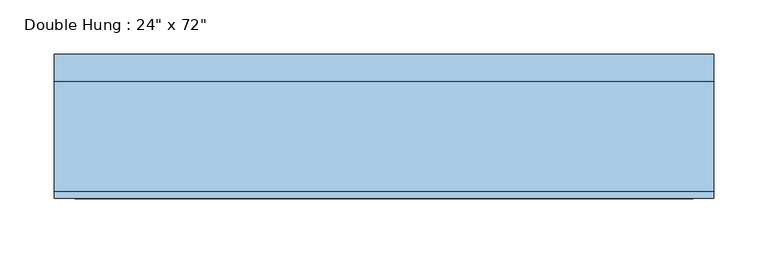
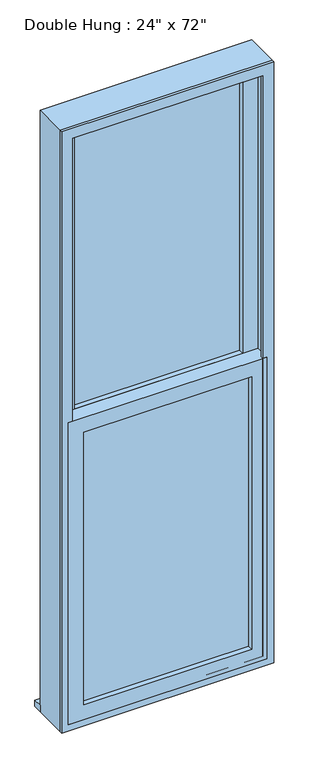
"""IFC4 building model written with IfcOpenShell, lengths in millimetres: window geometry."""

from ifc_helpers import new_model, si_unit, frame, origin, place, context, project, spatial, polyline, outline, extrude, source, transform, mapped, element, save


def window_02a0f3dd(model_context):
    return source(origin(), model_context, "Body", "SweptSolid", [
        extrude(outline(polyline([(-241.3, -28.575), (241.3, -28.575), (241.3, -41.275), (-241.3, -41.275), (-241.3, -28.575)])), frame((0.0, 0.0, 368.3), z_axis=(0.0, 0.0, 1.0), x_axis=(1.0, 0.0, 0.0)), (0.0, 0.0, 1.0), 828.675),
        extrude(outline(polyline([(1241.425, -285.75), (323.85, -285.75), (323.85, 285.75), (1241.425, 285.75), (1241.425, -285.75)]), holes=[polyline([(1196.975, -241.3), (1196.975, 241.3), (368.3, 241.3), (368.3, -241.3), (1196.975, -241.3)])]), frame((0.0, -57.15, 0.0), z_axis=(0.0, 1.0, 0.0), x_axis=(0.0, 0.0, 1.0)), (0.0, 0.0, 1.0), 44.45),
        extrude(outline(polyline([(-304.8, 76.2), (304.8, 76.2), (304.8, 50.8), (-304.8, 50.8), (-304.8, 76.2)])), frame((0.0, 0.0, 304.8), z_axis=(0.0, 0.0, 1.0), x_axis=(1.0, 0.0, 0.0)), (0.0, 0.0, 1.0), 19.05),
        extrude(outline(polyline([(241.3, 3.175), (-241.3, 3.175), (-241.3, 15.875), (241.3, 15.875), (241.3, 3.175)])), frame((0.0, 0.0, 1241.425), z_axis=(0.0, 0.0, 1.0), x_axis=(1.0, 0.0, 0.0)), (0.0, 0.0, 1.0), 828.675),
        extrude(outline(polyline([(2114.55, -285.75), (1196.975, -285.75), (1196.975, 285.75), (2114.55, 285.75), (2114.55, -285.75)]), holes=[polyline([(2070.1, -241.3), (2070.1, 241.3), (1241.425, 241.3), (1241.425, -241.3), (2070.1, -241.3)])]), frame((0.0, -12.7, 0.0), z_axis=(0.0, 1.0, 0.0), x_axis=(0.0, 0.0, 1.0)), (0.0, 0.0, 1.0), 44.45),
        extrude(outline(polyline([(2133.6, -304.8), (304.8, -304.8), (304.8, 304.8), (2133.6, 304.8), (2133.6, -304.8)]), holes=[polyline([(2101.85, -273.05), (2101.85, 273.05), (336.55, 273.05), (336.55, -273.05), (2101.85, -273.05)])]), frame((0.0, -57.15, 0.0), z_axis=(0.0, 1.0, 0.0), x_axis=(0.0, 0.0, 1.0)), (0.0, 0.0, 1.0), 6.35),
        extrude(outline(polyline([(2133.6, 304.8), (2133.6, -304.8), (304.8, -304.8), (304.8, 304.8), (2133.6, 304.8)]), holes=[polyline([(2114.55, 285.75), (323.85, 285.75), (323.85, -285.75), (2114.55, -285.75), (2114.55, 285.75)])]), frame((0.0, -57.15, 0.0), z_axis=(0.0, 1.0, 0.0), x_axis=(0.0, 0.0, 1.0)), (0.0, 0.0, 1.0), 107.95),
    ])


if __name__ == "__main__":
    model = new_model("IFC4")
    model_context = context("Model", 3, world=origin())
    ifc_project = project(units=[si_unit("LENGTHUNIT", "METRE", prefix="MILLI")], contexts=[model_context])
    site = spatial("IfcSite", under=ifc_project)
    building = spatial("IfcBuilding", under=site)
    placement = place(None, origin())
    window_shape = window_02a0f3dd(model_context)
    element("IfcWindow", 1, ObjectType="Double Hung : 24\" x 72\"", at=placement, inside=building, context=model_context, shape_type="MappedRepresentation", body=[
        mapped(window_shape, transform((0.0, 0.0, 0.0), x_axis=(1.0, 0.0, 0.0), y_axis=(0.0, 1.0, 0.0), z_axis=(0.0, 0.0, 1.0))),
    ])
    save(model, "model.ifc")
